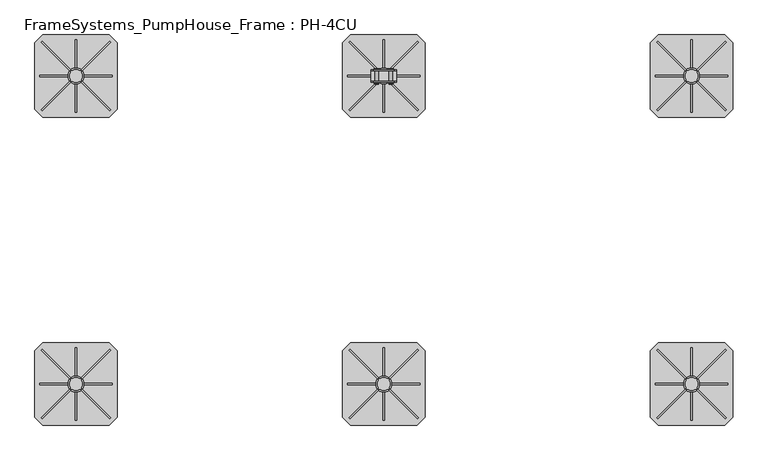
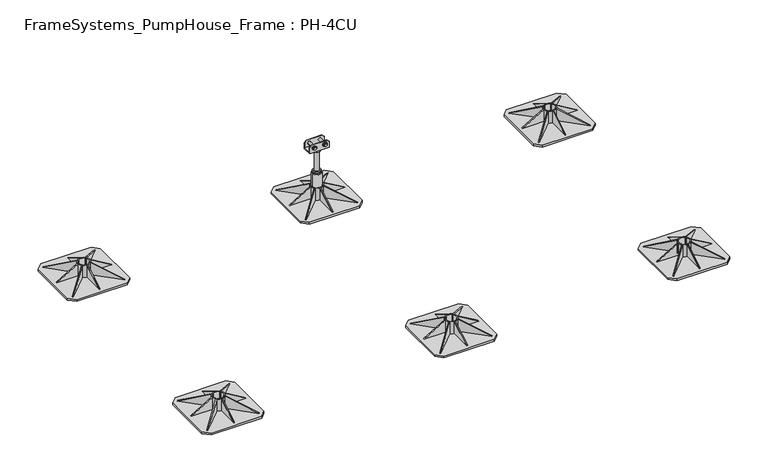
"""IFC4 building model written with IfcOpenShell, lengths in millimetres: beam geometry, FrameSystems_PumpHouse_Frame : PH-4CU."""

from ifc_helpers import new_model, si_unit, point, frame, frame_2d, origin, origin_with_axes, origin_2d, place, context, project, spatial, polyline, circle_curve, trimmed, segment, composite_curve, outline, extrude, source, transform, mapped, element, save
from ifc_brep_helpers import plane_surface, cylinder_surface, revolved_surface, advanced_brep


def framesystems_pumphouse_frame_ph_4cu_4b5e4cee(model_context):
    return source(origin(), model_context, "Body", "SolidModel", [
        extrude(outline(polyline([(0.0, 0.0), (169.9235121, 0.0), (145.0593839, -60.0564328), (0.0, 0.0)])), frame((2531.5218613, 1064.9426048, 10.0), z_axis=(0.7071067811865491, 0.7071067811865459, 0.0), x_axis=(-0.653327860317026, 0.653327860317029, 0.3825250499864671)), (0.0, 0.0, 1.0), 5.0),
        extrude(outline(polyline([(0.0, 0.0), (-145.0593839, -60.0564328), (-169.9235121, 0.0), (0.0, 0.0)])), frame((2268.4781387, 1064.9426048, 10.0), z_axis=(-0.7071067811865449, 0.7071067811865502, 0.0), x_axis=(-0.65332786031703, -0.653327860317025, -0.38252504998646697)), (0.0, 0.0, 1.0), 5.0),
        extrude(outline(polyline([(0.0, 0.0), (169.9235121, 0.0), (145.0593839, -60.0564328), (0.0, 0.0)])), frame((2535.0573952, 1331.5218613, 10.0), z_axis=(-0.707106781186539, 0.7071067811865561, 0.0), x_axis=(-0.6533278603170355, -0.6533278603170196, 0.3825250499864671)), (0.0, 0.0, 1.0), 5.0),
        extrude(outline(polyline([(10.0, 2258.5), (10.0, 2368.5), (75.0, 2368.5), (10.0, 2258.5)])), frame((0.0, 1197.5, 0.0), z_axis=(0.0, 1.0, 0.0), x_axis=(0.0, 0.0, 1.0)), (0.0, 0.0, 1.0), 5.0),
        extrude(outline(polyline([(1341.5, 10.0), (1231.5, 10.0), (1231.5, 75.0), (1341.5, 10.0)])), frame((2397.5, 0.0, 0.0), z_axis=(1.0, 0.0, 0.0), x_axis=(0.0, 1.0, 0.0)), (0.0, 0.0, 1.0), 5.0),
        extrude(outline(polyline([(1058.5, 10.0), (1168.5, 75.0), (1168.5, 10.0), (1058.5, 10.0)])), frame((2397.5, 0.0, 0.0), z_axis=(1.0, 0.0, 0.0), x_axis=(0.0, 1.0, 0.0)), (0.0, 0.0, 1.0), 5.0),
        extrude(outline(polyline([(0.0, 0.0), (-145.0593839, -60.0564328), (-169.9235121, 0.0), (0.0, 0.0)])), frame((2264.9426048, 1331.5218613, 10.0), z_axis=(0.7071067811865491, 0.707106781186546, 0.0), x_axis=(-0.6533278603170262, 0.653327860317029, -0.3825250499864671)), (0.0, 0.0, 1.0), 5.0),
        extrude(outline(polyline([(10.0, 2541.5), (75.0, 2431.5), (10.0, 2431.5), (10.0, 2541.5)])), frame((0.0, 1197.5, 0.0), z_axis=(0.0, 1.0, 0.0), x_axis=(0.0, 0.0, 1.0)), (0.0, 0.0, 1.0), 5.0),
        extrude(outline(composite_curve([segment(trimmed(circle_curve(frame_2d((2400.0, 1200.0)), 31.5), [point((2368.5, 1200.0))], [point((2431.5, 1200.0))], False, "CARTESIAN"), True, "CONTINUOUS"), segment(trimmed(circle_curve(frame_2d((2400.0, 1200.0)), 31.5), [point((2431.5, 1200.0))], [point((2368.5, 1200.0))], False, "CARTESIAN"), True, "CONTINUOUS")], self_intersect=False), holes=[composite_curve([segment(polyline([(2380.0, 1185.0), (2380.0, 1180.0), (2385.0, 1180.0)]), True, "CONTINUOUS"), segment(trimmed(circle_curve(frame_2d((2400.0, 1200.0)), 25.0), [point((2385.0, 1180.0))], [point((2415.0, 1180.0))], True, "CARTESIAN"), True, "CONTINUOUS"), segment(polyline([(2415.0, 1180.0), (2420.0, 1180.0), (2420.0, 1185.0)]), True, "CONTINUOUS"), segment(trimmed(circle_curve(frame_2d((2400.0, 1200.0)), 25.0), [point((2420.0, 1185.0))], [point((2420.0, 1215.0))], True, "CARTESIAN"), True, "CONTINUOUS"), segment(polyline([(2420.0, 1215.0), (2420.0, 1220.0), (2415.0, 1220.0)]), True, "CONTINUOUS"), segment(trimmed(circle_curve(frame_2d((2400.0, 1200.0)), 25.0), [point((2415.0, 1220.0))], [point((2385.0, 1220.0))], True, "CARTESIAN"), True, "CONTINUOUS"), segment(polyline([(2385.0, 1220.0), (2380.0, 1220.0), (2380.0, 1215.0)]), True, "CONTINUOUS"), segment(trimmed(circle_curve(frame_2d((2400.0, 1200.0)), 25.0), [point((2380.0, 1215.0))], [point((2380.0, 1185.0))], True, "CARTESIAN"), True, "CONTINUOUS")], self_intersect=False)]), frame((0.0, 0.0, 10.0), z_axis=(0.0, 0.0, 1.0), x_axis=(1.0, 0.0, 0.0)), (0.0, 0.0, 1.0), 65.0),
        extrude(outline(polyline([(2530.0, 1360.0), (2560.0, 1330.0), (2560.0, 1070.0), (2530.0, 1040.0), (2270.0, 1040.0), (2240.0, 1070.0), (2240.0, 1330.0), (2270.0, 1360.0), (2530.0, 1360.0)])), origin_with_axes(), (0.0, 0.0, 1.0), 10.0),
        extrude(outline(polyline([(0.0, 0.0), (169.9235121, 0.0), (145.0593839, -60.0564328), (0.0, 0.0)])), frame((2531.5218613, -135.0573952, 10.0), z_axis=(0.7071067811865491, 0.7071067811865459, 0.0), x_axis=(-0.653327860317026, 0.653327860317029, 0.3825250499864671)), (0.0, 0.0, 1.0), 5.0),
        extrude(outline(polyline([(0.0, 0.0), (-145.0593839, -60.0564328), (-169.9235121, 0.0), (0.0, 0.0)])), frame((2268.4781387, -135.0573952, 10.0), z_axis=(-0.7071067811865449, 0.7071067811865502, 0.0), x_axis=(-0.65332786031703, -0.653327860317025, -0.38252504998646697)), (0.0, 0.0, 1.0), 5.0),
        extrude(outline(polyline([(0.0, 0.0), (169.9235121, 0.0), (145.0593839, -60.0564328), (0.0, 0.0)])), frame((2535.0573952, 131.5218613, 10.0), z_axis=(-0.707106781186539, 0.7071067811865561, 0.0), x_axis=(-0.6533278603170355, -0.6533278603170196, 0.3825250499864671)), (0.0, 0.0, 1.0), 5.0),
        extrude(outline(polyline([(10.0, 2258.5), (10.0, 2368.5), (75.0, 2368.5), (10.0, 2258.5)])), frame((0.0, -2.5, 0.0), z_axis=(0.0, 1.0, 0.0), x_axis=(0.0, 0.0, 1.0)), (0.0, 0.0, 1.0), 5.0),
        extrude(outline(polyline([(141.5, 10.0), (31.5, 10.0), (31.5, 75.0), (141.5, 10.0)])), frame((2397.5, 0.0, 0.0), z_axis=(1.0, 0.0, 0.0), x_axis=(0.0, 1.0, 0.0)), (0.0, 0.0, 1.0), 5.0),
        extrude(outline(polyline([(-141.5, 10.0), (-31.5, 75.0), (-31.5, 10.0), (-141.5, 10.0)])), frame((2397.5, 0.0, 0.0), z_axis=(1.0, 0.0, 0.0), x_axis=(0.0, 1.0, 0.0)), (0.0, 0.0, 1.0), 5.0),
        extrude(outline(polyline([(0.0, 0.0), (-145.0593839, -60.0564328), (-169.9235121, 0.0), (0.0, 0.0)])), frame((2264.9426048, 131.5218613, 10.0), z_axis=(0.7071067811865491, 0.707106781186546, 0.0), x_axis=(-0.6533278603170262, 0.653327860317029, -0.3825250499864671)), (0.0, 0.0, 1.0), 5.0),
        extrude(outline(polyline([(10.0, 2541.5), (75.0, 2431.5), (10.0, 2431.5), (10.0, 2541.5)])), frame((0.0, -2.5, 0.0), z_axis=(0.0, 1.0, 0.0), x_axis=(0.0, 0.0, 1.0)), (0.0, 0.0, 1.0), 5.0),
        extrude(outline(composite_curve([segment(trimmed(circle_curve(frame_2d((2400.0, 0.0)), 31.5), [point((2368.5, 0.0))], [point((2431.5, 0.0))], False, "CARTESIAN"), True, "CONTINUOUS"), segment(trimmed(circle_curve(frame_2d((2400.0, 0.0)), 31.5), [point((2431.5, 0.0))], [point((2368.5, 0.0))], False, "CARTESIAN"), True, "CONTINUOUS")], self_intersect=False), holes=[composite_curve([segment(polyline([(2380.0, -15.0), (2380.0, -20.0), (2385.0, -20.0)]), True, "CONTINUOUS"), segment(trimmed(circle_curve(frame_2d((2400.0, 0.0)), 25.0), [point((2385.0, -20.0))], [point((2415.0, -20.0))], True, "CARTESIAN"), True, "CONTINUOUS"), segment(polyline([(2415.0, -20.0), (2420.0, -20.0), (2420.0, -15.0)]), True, "CONTINUOUS"), segment(trimmed(circle_curve(frame_2d((2400.0, 0.0)), 25.0), [point((2420.0, -15.0))], [point((2420.0, 15.0))], True, "CARTESIAN"), True, "CONTINUOUS"), segment(polyline([(2420.0, 15.0), (2420.0, 20.0), (2415.0, 20.0)]), True, "CONTINUOUS"), segment(trimmed(circle_curve(frame_2d((2400.0, 0.0)), 25.0), [point((2415.0, 20.0))], [point((2385.0, 20.0))], True, "CARTESIAN"), True, "CONTINUOUS"), segment(polyline([(2385.0, 20.0), (2380.0, 20.0), (2380.0, 15.0)]), True, "CONTINUOUS"), segment(trimmed(circle_curve(frame_2d((2400.0, 0.0)), 25.0), [point((2380.0, 15.0))], [point((2380.0, -15.0))], True, "CARTESIAN"), True, "CONTINUOUS")], self_intersect=False)]), frame((0.0, 0.0, 10.0), z_axis=(0.0, 0.0, 1.0), x_axis=(1.0, 0.0, 0.0)), (0.0, 0.0, 1.0), 65.0),
        extrude(outline(polyline([(2530.0, 160.0), (2560.0, 130.0), (2560.0, -130.0), (2530.0, -160.0), (2270.0, -160.0), (2240.0, -130.0), (2240.0, 130.0), (2270.0, 160.0), (2530.0, 160.0)])), origin_with_axes(), (0.0, 0.0, 1.0), 10.0),
        extrude(outline(polyline([(0.0, 0.0), (169.9235121, 0.0), (145.0593839, -60.0564328), (0.0, 0.0)])), frame((1331.5218613, 1064.9426048, 10.0), z_axis=(0.7071067811865491, 0.7071067811865459, 0.0), x_axis=(-0.653327860317026, 0.653327860317029, 0.3825250499864671)), (0.0, 0.0, 1.0), 5.0),
        extrude(outline(polyline([(0.0, 0.0), (-145.0593839, -60.0564328), (-169.9235121, 0.0), (0.0, 0.0)])), frame((1068.4781387, 1064.9426048, 10.0), z_axis=(-0.7071067811865449, 0.7071067811865502, 0.0), x_axis=(-0.65332786031703, -0.653327860317025, -0.38252504998646697)), (0.0, 0.0, 1.0), 5.0),
        extrude(outline(polyline([(0.0, 0.0), (169.9235121, 0.0), (145.0593839, -60.0564328), (0.0, 0.0)])), frame((1335.0573952, 1331.5218613, 10.0), z_axis=(-0.707106781186539, 0.7071067811865561, 0.0), x_axis=(-0.6533278603170355, -0.6533278603170196, 0.3825250499864671)), (0.0, 0.0, 1.0), 5.0),
        extrude(outline(polyline([(10.0, 1058.5), (10.0, 1168.5), (75.0, 1168.5), (10.0, 1058.5)])), frame((0.0, 1197.5, 0.0), z_axis=(0.0, 1.0, 0.0), x_axis=(0.0, 0.0, 1.0)), (0.0, 0.0, 1.0), 5.0),
        extrude(outline(polyline([(1341.5, 10.0), (1231.5, 10.0), (1231.5, 75.0), (1341.5, 10.0)])), frame((1197.5, 0.0, 0.0), z_axis=(1.0, 0.0, 0.0), x_axis=(0.0, 1.0, 0.0)), (0.0, 0.0, 1.0), 5.0),
        extrude(outline(polyline([(1058.5, 10.0), (1168.5, 75.0), (1168.5, 10.0), (1058.5, 10.0)])), frame((1197.5, 0.0, 0.0), z_axis=(1.0, 0.0, 0.0), x_axis=(0.0, 1.0, 0.0)), (0.0, 0.0, 1.0), 5.0),
        extrude(outline(polyline([(0.0, 0.0), (-145.0593839, -60.0564328), (-169.9235121, 0.0), (0.0, 0.0)])), frame((1064.9426048, 1331.5218613, 10.0), z_axis=(0.7071067811865491, 0.707106781186546, 0.0), x_axis=(-0.6533278603170262, 0.653327860317029, -0.3825250499864671)), (0.0, 0.0, 1.0), 5.0),
        extrude(outline(polyline([(10.0, 1341.5), (75.0, 1231.5), (10.0, 1231.5), (10.0, 1341.5)])), frame((0.0, 1197.5, 0.0), z_axis=(0.0, 1.0, 0.0), x_axis=(0.0, 0.0, 1.0)), (0.0, 0.0, 1.0), 5.0),
        extrude(outline(composite_curve([segment(trimmed(circle_curve(frame_2d((1200.0, 1200.0)), 31.5), [point((1168.5, 1200.0))], [point((1231.5, 1200.0))], False, "CARTESIAN"), True, "CONTINUOUS"), segment(trimmed(circle_curve(frame_2d((1200.0, 1200.0)), 31.5), [point((1231.5, 1200.0))], [point((1168.5, 1200.0))], False, "CARTESIAN"), True, "CONTINUOUS")], self_intersect=False), holes=[composite_curve([segment(polyline([(1180.0, 1185.0), (1180.0, 1180.0), (1185.0, 1180.0)]), True, "CONTINUOUS"), segment(trimmed(circle_curve(frame_2d((1200.0, 1200.0)), 25.0), [point((1185.0, 1180.0))], [point((1215.0, 1180.0))], True, "CARTESIAN"), True, "CONTINUOUS"), segment(polyline([(1215.0, 1180.0), (1220.0, 1180.0), (1220.0, 1185.0)]), True, "CONTINUOUS"), segment(trimmed(circle_curve(frame_2d((1200.0, 1200.0)), 25.0), [point((1220.0, 1185.0))], [point((1220.0, 1215.0))], True, "CARTESIAN"), True, "CONTINUOUS"), segment(polyline([(1220.0, 1215.0), (1220.0, 1220.0), (1215.0, 1220.0)]), True, "CONTINUOUS"), segment(trimmed(circle_curve(frame_2d((1200.0, 1200.0)), 25.0), [point((1215.0, 1220.0))], [point((1185.0, 1220.0))], True, "CARTESIAN"), True, "CONTINUOUS"), segment(polyline([(1185.0, 1220.0), (1180.0, 1220.0), (1180.0, 1215.0)]), True, "CONTINUOUS"), segment(trimmed(circle_curve(frame_2d((1200.0, 1200.0)), 25.0), [point((1180.0, 1215.0))], [point((1180.0, 1185.0))], True, "CARTESIAN"), True, "CONTINUOUS")], self_intersect=False)]), frame((0.0, 0.0, 10.0), z_axis=(0.0, 0.0, 1.0), x_axis=(1.0, 0.0, 0.0)), (0.0, 0.0, 1.0), 65.0),
        extrude(outline(polyline([(1330.0, 1360.0), (1360.0, 1330.0), (1360.0, 1070.0), (1330.0, 1040.0), (1070.0, 1040.0), (1040.0, 1070.0), (1040.0, 1330.0), (1070.0, 1360.0), (1330.0, 1360.0)])), origin_with_axes(), (0.0, 0.0, 1.0), 10.0),
        extrude(outline(polyline([(0.0, 0.0), (169.9235121, 0.0), (145.0593839, -60.0564328), (0.0, 0.0)])), frame((1331.5218613, -135.0573952, 10.0), z_axis=(0.7071067811865491, 0.7071067811865459, 0.0), x_axis=(-0.653327860317026, 0.653327860317029, 0.3825250499864671)), (0.0, 0.0, 1.0), 5.0),
        extrude(outline(polyline([(0.0, 0.0), (-145.0593839, -60.0564328), (-169.9235121, 0.0), (0.0, 0.0)])), frame((1068.4781387, -135.0573952, 10.0), z_axis=(-0.7071067811865449, 0.7071067811865502, 0.0), x_axis=(-0.65332786031703, -0.653327860317025, -0.38252504998646697)), (0.0, 0.0, 1.0), 5.0),
        extrude(outline(polyline([(0.0, 0.0), (169.9235121, 0.0), (145.0593839, -60.0564328), (0.0, 0.0)])), frame((1335.0573952, 131.5218613, 10.0), z_axis=(-0.707106781186539, 0.7071067811865561, 0.0), x_axis=(-0.6533278603170355, -0.6533278603170196, 0.3825250499864671)), (0.0, 0.0, 1.0), 5.0),
        extrude(outline(polyline([(10.0, 1058.5), (10.0, 1168.5), (75.0, 1168.5), (10.0, 1058.5)])), frame((0.0, -2.5, 0.0), z_axis=(0.0, 1.0, 0.0), x_axis=(0.0, 0.0, 1.0)), (0.0, 0.0, 1.0), 5.0),
        extrude(outline(polyline([(141.5, 10.0), (31.5, 10.0), (31.5, 75.0), (141.5, 10.0)])), frame((1197.5, 0.0, 0.0), z_axis=(1.0, 0.0, 0.0), x_axis=(0.0, 1.0, 0.0)), (0.0, 0.0, 1.0), 5.0),
        extrude(outline(polyline([(-141.5, 10.0), (-31.5, 75.0), (-31.5, 10.0), (-141.5, 10.0)])), frame((1197.5, 0.0, 0.0), z_axis=(1.0, 0.0, 0.0), x_axis=(0.0, 1.0, 0.0)), (0.0, 0.0, 1.0), 5.0),
        extrude(outline(polyline([(0.0, 0.0), (-145.0593839, -60.0564328), (-169.9235121, 0.0), (0.0, 0.0)])), frame((1064.9426048, 131.5218613, 10.0), z_axis=(0.7071067811865491, 0.707106781186546, 0.0), x_axis=(-0.6533278603170262, 0.653327860317029, -0.3825250499864671)), (0.0, 0.0, 1.0), 5.0),
        extrude(outline(polyline([(10.0, 1341.5), (75.0, 1231.5), (10.0, 1231.5), (10.0, 1341.5)])), frame((0.0, -2.5, 0.0), z_axis=(0.0, 1.0, 0.0), x_axis=(0.0, 0.0, 1.0)), (0.0, 0.0, 1.0), 5.0),
        extrude(outline(composite_curve([segment(trimmed(circle_curve(frame_2d((1200.0, 0.0)), 31.5), [point((1168.5, 0.0))], [point((1231.5, 0.0))], False, "CARTESIAN"), True, "CONTINUOUS"), segment(trimmed(circle_curve(frame_2d((1200.0, 0.0)), 31.5), [point((1231.5, 0.0))], [point((1168.5, 0.0))], False, "CARTESIAN"), True, "CONTINUOUS")], self_intersect=False), holes=[composite_curve([segment(polyline([(1180.0, -15.0), (1180.0, -20.0), (1185.0, -20.0)]), True, "CONTINUOUS"), segment(trimmed(circle_curve(frame_2d((1200.0, 0.0)), 25.0), [point((1185.0, -20.0))], [point((1215.0, -20.0))], True, "CARTESIAN"), True, "CONTINUOUS"), segment(polyline([(1215.0, -20.0), (1220.0, -20.0), (1220.0, -15.0)]), True, "CONTINUOUS"), segment(trimmed(circle_curve(frame_2d((1200.0, 0.0)), 25.0), [point((1220.0, -15.0))], [point((1220.0, 15.0))], True, "CARTESIAN"), True, "CONTINUOUS"), segment(polyline([(1220.0, 15.0), (1220.0, 20.0), (1215.0, 20.0)]), True, "CONTINUOUS"), segment(trimmed(circle_curve(frame_2d((1200.0, 0.0)), 25.0), [point((1215.0, 20.0))], [point((1185.0, 20.0))], True, "CARTESIAN"), True, "CONTINUOUS"), segment(polyline([(1185.0, 20.0), (1180.0, 20.0), (1180.0, 15.0)]), True, "CONTINUOUS"), segment(trimmed(circle_curve(frame_2d((1200.0, 0.0)), 25.0), [point((1180.0, 15.0))], [point((1180.0, -15.0))], True, "CARTESIAN"), True, "CONTINUOUS")], self_intersect=False)]), frame((0.0, 0.0, 10.0), z_axis=(0.0, 0.0, 1.0), x_axis=(1.0, 0.0, 0.0)), (0.0, 0.0, 1.0), 65.0),
        extrude(outline(polyline([(1330.0, 160.0), (1360.0, 130.0), (1360.0, -130.0), (1330.0, -160.0), (1070.0, -160.0), (1040.0, -130.0), (1040.0, 130.0), (1070.0, 160.0), (1330.0, 160.0)])), origin_with_axes(), (0.0, 0.0, 1.0), 10.0),
        extrude(outline(polyline([(0.0, 0.0), (169.9235121, 0.0), (145.0593839, -60.0564328), (0.0, 0.0)])), frame((131.5218613, 1064.9426048, 10.0), z_axis=(0.7071067811865491, 0.7071067811865459, 0.0), x_axis=(-0.653327860317026, 0.653327860317029, 0.3825250499864671)), (0.0, 0.0, 1.0), 5.0),
        extrude(outline(polyline([(0.0, 0.0), (-145.0593839, -60.0564328), (-169.9235121, 0.0), (0.0, 0.0)])), frame((-131.5218613, 1064.9426048, 10.0), z_axis=(-0.7071067811865449, 0.7071067811865502, 0.0), x_axis=(-0.65332786031703, -0.653327860317025, -0.38252504998646697)), (0.0, 0.0, 1.0), 5.0),
        extrude(outline(polyline([(0.0, 0.0), (169.9235121, 0.0), (145.0593839, -60.0564328), (0.0, 0.0)])), frame((135.0573952, 1331.5218613, 10.0), z_axis=(-0.707106781186539, 0.7071067811865561, 0.0), x_axis=(-0.6533278603170355, -0.6533278603170196, 0.3825250499864671)), (0.0, 0.0, 1.0), 5.0),
        extrude(outline(polyline([(10.0, -141.5), (10.0, -31.5), (75.0, -31.5), (10.0, -141.5)])), frame((0.0, 1197.5, 0.0), z_axis=(0.0, 1.0, 0.0), x_axis=(0.0, 0.0, 1.0)), (0.0, 0.0, 1.0), 5.0),
        extrude(outline(polyline([(1341.5, 10.0), (1231.5, 10.0), (1231.5, 75.0), (1341.5, 10.0)])), frame((-2.5, 0.0, 0.0), z_axis=(1.0, 0.0, 0.0), x_axis=(0.0, 1.0, 0.0)), (0.0, 0.0, 1.0), 5.0),
        extrude(outline(polyline([(1058.5, 10.0), (1168.5, 75.0), (1168.5, 10.0), (1058.5, 10.0)])), frame((-2.5, 0.0, 0.0), z_axis=(1.0, 0.0, 0.0), x_axis=(0.0, 1.0, 0.0)), (0.0, 0.0, 1.0), 5.0),
        extrude(outline(polyline([(0.0, 0.0), (-145.0593839, -60.0564328), (-169.9235121, 0.0), (0.0, 0.0)])), frame((-135.0573952, 1331.5218613, 10.0), z_axis=(0.7071067811865491, 0.707106781186546, 0.0), x_axis=(-0.6533278603170262, 0.653327860317029, -0.3825250499864671)), (0.0, 0.0, 1.0), 5.0),
        extrude(outline(polyline([(10.0, 141.5), (75.0, 31.5), (10.0, 31.5), (10.0, 141.5)])), frame((0.0, 1197.5, 0.0), z_axis=(0.0, 1.0, 0.0), x_axis=(0.0, 0.0, 1.0)), (0.0, 0.0, 1.0), 5.0),
        extrude(outline(composite_curve([segment(trimmed(circle_curve(frame_2d((0.0, 1200.0)), 31.5), [point((-31.5, 1200.0))], [point((31.5, 1200.0))], False, "CARTESIAN"), True, "CONTINUOUS"), segment(trimmed(circle_curve(frame_2d((0.0, 1200.0)), 31.5), [point((31.5, 1200.0))], [point((-31.5, 1200.0))], False, "CARTESIAN"), True, "CONTINUOUS")], self_intersect=False), holes=[composite_curve([segment(polyline([(-20.0, 1185.0), (-20.0, 1180.0), (-15.0, 1180.0)]), True, "CONTINUOUS"), segment(trimmed(circle_curve(frame_2d((0.0, 1200.0)), 25.0), [point((-15.0, 1180.0))], [point((15.0, 1180.0))], True, "CARTESIAN"), True, "CONTINUOUS"), segment(polyline([(15.0, 1180.0), (20.0, 1180.0), (20.0, 1185.0)]), True, "CONTINUOUS"), segment(trimmed(circle_curve(frame_2d((0.0, 1200.0)), 25.0), [point((20.0, 1185.0))], [point((20.0, 1215.0))], True, "CARTESIAN"), True, "CONTINUOUS"), segment(polyline([(20.0, 1215.0), (20.0, 1220.0), (15.0, 1220.0)]), True, "CONTINUOUS"), segment(trimmed(circle_curve(frame_2d((0.0, 1200.0)), 25.0), [point((15.0, 1220.0))], [point((-15.0, 1220.0))], True, "CARTESIAN"), True, "CONTINUOUS"), segment(polyline([(-15.0, 1220.0), (-20.0, 1220.0), (-20.0, 1215.0)]), True, "CONTINUOUS"), segment(trimmed(circle_curve(frame_2d((0.0, 1200.0)), 25.0), [point((-20.0, 1215.0))], [point((-20.0, 1185.0))], True, "CARTESIAN"), True, "CONTINUOUS")], self_intersect=False)]), frame((0.0, 0.0, 10.0), z_axis=(0.0, 0.0, 1.0), x_axis=(1.0, 0.0, 0.0)), (0.0, 0.0, 1.0), 65.0),
        extrude(outline(polyline([(130.0, 1360.0), (160.0, 1330.0), (160.0, 1070.0), (130.0, 1040.0), (-130.0, 1040.0), (-160.0, 1070.0), (-160.0, 1330.0), (-130.0, 1360.0), (130.0, 1360.0)])), origin_with_axes(), (0.0, 0.0, 1.0), 10.0),
        extrude(outline(polyline([(0.0, 0.0), (169.9235121, 0.0), (145.0593839, -60.0564328), (0.0, 0.0)])), frame((131.5218613, -135.0573952, 10.0), z_axis=(0.7071067811865491, 0.7071067811865459, 0.0), x_axis=(-0.653327860317026, 0.653327860317029, 0.3825250499864671)), (0.0, 0.0, 1.0), 5.0),
        extrude(outline(polyline([(0.0, 0.0), (-145.0593839, -60.0564328), (-169.9235121, 0.0), (0.0, 0.0)])), frame((-131.5218613, -135.0573952, 10.0), z_axis=(-0.7071067811865449, 0.7071067811865502, 0.0), x_axis=(-0.65332786031703, -0.653327860317025, -0.38252504998646697)), (0.0, 0.0, 1.0), 5.0),
        extrude(outline(polyline([(0.0, 0.0), (169.9235121, 0.0), (145.0593839, -60.0564328), (0.0, 0.0)])), frame((135.0573952, 131.5218613, 10.0), z_axis=(-0.707106781186539, 0.7071067811865561, 0.0), x_axis=(-0.6533278603170355, -0.6533278603170196, 0.3825250499864671)), (0.0, 0.0, 1.0), 5.0),
        extrude(outline(polyline([(10.0, -141.5), (10.0, -31.5), (75.0, -31.5), (10.0, -141.5)])), frame((0.0, -2.5, 0.0), z_axis=(0.0, 1.0, 0.0), x_axis=(0.0, 0.0, 1.0)), (0.0, 0.0, 1.0), 5.0),
        extrude(outline(polyline([(141.5, 10.0), (31.5, 10.0), (31.5, 75.0), (141.5, 10.0)])), frame((-2.5, 0.0, 0.0), z_axis=(1.0, 0.0, 0.0), x_axis=(0.0, 1.0, 0.0)), (0.0, 0.0, 1.0), 5.0),
        extrude(outline(polyline([(-141.5, 10.0), (-31.5, 75.0), (-31.5, 10.0), (-141.5, 10.0)])), frame((-2.5, 0.0, 0.0), z_axis=(1.0, 0.0, 0.0), x_axis=(0.0, 1.0, 0.0)), (0.0, 0.0, 1.0), 5.0),
        extrude(outline(polyline([(0.0, 0.0), (-145.0593839, -60.0564328), (-169.9235121, 0.0), (0.0, 0.0)])), frame((-135.0573952, 131.5218613, 10.0), z_axis=(0.7071067811865491, 0.707106781186546, 0.0), x_axis=(-0.6533278603170262, 0.653327860317029, -0.3825250499864671)), (0.0, 0.0, 1.0), 5.0),
        extrude(outline(polyline([(10.0, 141.5), (75.0, 31.5), (10.0, 31.5), (10.0, 141.5)])), frame((0.0, -2.5, 0.0), z_axis=(0.0, 1.0, 0.0), x_axis=(0.0, 0.0, 1.0)), (0.0, 0.0, 1.0), 5.0),
        extrude(outline(composite_curve([segment(trimmed(circle_curve(origin_2d(), 31.5), [point((-31.5, 0.0))], [point((31.5, 0.0))], False, "CARTESIAN"), True, "CONTINUOUS"), segment(trimmed(circle_curve(origin_2d(), 31.5), [point((31.5, 0.0))], [point((-31.5, 0.0))], False, "CARTESIAN"), True, "CONTINUOUS")], self_intersect=False), holes=[composite_curve([segment(polyline([(-20.0, -15.0), (-20.0, -20.0), (-15.0, -20.0)]), True, "CONTINUOUS"), segment(trimmed(circle_curve(origin_2d(), 25.0), [point((-15.0, -20.0))], [point((15.0, -20.0))], True, "CARTESIAN"), True, "CONTINUOUS"), segment(polyline([(15.0, -20.0), (20.0, -20.0), (20.0, -15.0)]), True, "CONTINUOUS"), segment(trimmed(circle_curve(origin_2d(), 25.0), [point((20.0, -15.0))], [point((20.0, 15.0))], True, "CARTESIAN"), True, "CONTINUOUS"), segment(polyline([(20.0, 15.0), (20.0, 20.0), (15.0, 20.0)]), True, "CONTINUOUS"), segment(trimmed(circle_curve(origin_2d(), 25.0), [point((15.0, 20.0))], [point((-15.0, 20.0))], True, "CARTESIAN"), True, "CONTINUOUS"), segment(polyline([(-15.0, 20.0), (-20.0, 20.0), (-20.0, 15.0)]), True, "CONTINUOUS"), segment(trimmed(circle_curve(origin_2d(), 25.0), [point((-20.0, 15.0))], [point((-20.0, -15.0))], True, "CARTESIAN"), True, "CONTINUOUS")], self_intersect=False)]), frame((0.0, 0.0, 10.0), z_axis=(0.0, 0.0, 1.0), x_axis=(1.0, 0.0, 0.0)), (0.0, 0.0, 1.0), 65.0),
        extrude(outline(polyline([(130.0, 160.0), (160.0, 130.0), (160.0, -130.0), (130.0, -160.0), (-130.0, -160.0), (-160.0, -130.0), (-160.0, 130.0), (-130.0, 160.0), (130.0, 160.0)])), origin_with_axes(), (0.0, 0.0, 1.0), 10.0),
        advanced_brep(
        [(1240.0, 1179.25, 316.0), (1250.0, 1179.25, 306.0), (1250.0, 1179.25, 280.0), (1150.0, 1179.25, 280.0), (1150.0, 1179.25, 306.0), (1160.0, 1179.25, 316.0), (1234.5, 1179.25, 299.0), (1220.5, 1179.25, 299.0), (1179.5, 1179.25, 299.0), (1165.5, 1179.25, 299.0), (1240.0, 1176.25, 316.0), (1160.0, 1176.25, 316.0), (1150.0, 1176.25, 306.0), (1150.0, 1176.25, 273.0), (1250.0, 1176.25, 273.0), (1250.0, 1176.25, 306.0), (1217.9194511, 1176.25, 293.4686675), (1217.9194511, 1176.25, 304.5313325), (1227.5, 1176.25, 310.062665), (1237.0805489, 1176.25, 304.5313325), (1237.0805489, 1176.25, 293.4686675), (1227.5, 1176.25, 287.937335), (1162.9194511, 1176.25, 293.4686675), (1162.9194511, 1176.25, 304.5313325), (1172.5, 1176.25, 310.062665), (1182.0805489, 1176.25, 304.5313325), (1182.0805489, 1176.25, 293.4686675), (1172.5, 1176.25, 287.937335), (1240.0, 1223.653247, 316.0), (1250.0, 1223.653247, 306.0), (1250.0, 1223.653247, 273.0), (1150.0, 1223.653247, 273.0), (1150.0, 1223.653247, 306.0), (1160.0, 1223.653247, 316.0), (1237.0805489, 1223.653247, 304.5313325), (1227.5, 1223.653247, 310.062665), (1217.9194511, 1223.653247, 304.5313325), (1217.9194511, 1223.653247, 293.4686675), (1227.5, 1223.653247, 287.937335), (1237.0805489, 1223.653247, 293.4686675), (1182.0805489, 1223.653247, 304.5313325), (1172.5, 1223.653247, 310.062665), (1162.9194511, 1223.653247, 304.5313325), (1162.9194511, 1223.653247, 293.4686675), (1172.5, 1223.653247, 287.937335), (1182.0805489, 1223.653247, 293.4686675), (1150.0, 1220.75, 280.0), (1150.0, 1220.75, 306.0), (1250.0, 1220.75, 280.0), (1250.0, 1220.75, 306.0), (1240.0, 1220.75, 316.0), (1160.0, 1220.75, 316.0), (1220.5, 1220.75, 299.0), (1234.5, 1220.75, 299.0), (1165.5, 1220.75, 299.0), (1179.5, 1220.75, 299.0), (1182.6794919, 1210.0, 273.0), (1182.6794919, 1190.0, 273.0), (1200.0, 1180.0, 273.0), (1217.3205081, 1190.0, 273.0), (1217.3205081, 1210.0, 273.0), (1200.0, 1220.0, 273.0), (1220.5, 1167.3051094, 299.0), (1234.5, 1167.3051094, 299.0), (1165.5, 1167.3051094, 299.0), (1179.5, 1167.3051094, 299.0), (1234.5, 1171.25, 299.0), (1220.5, 1171.25, 299.0), (1179.5, 1171.25, 299.0), (1165.5, 1171.25, 299.0), (1227.5, 1228.653247, 310.062665), (1237.0805489, 1228.653247, 304.5313325), (1237.0805489, 1228.653247, 293.4686675), (1227.5, 1228.653247, 287.937335), (1217.9194511, 1228.653247, 293.4686675), (1217.9194511, 1228.653247, 304.5313325), (1172.5, 1228.653247, 310.062665), (1182.0805489, 1228.653247, 304.5313325), (1182.0805489, 1228.653247, 293.4686675), (1172.5, 1228.653247, 287.937335), (1162.9194511, 1228.653247, 293.4686675), (1162.9194511, 1228.653247, 304.5313325), (1188.0, 1200.0, 263.0), (1188.0, 1200.0, 157.0), (1212.0, 1200.0, 157.0), (1212.0, 1200.0, 263.0), (1182.6794919, 1210.0, 263.0), (1200.0, 1220.0, 263.0), (1217.3205081, 1210.0, 263.0), (1217.3205081, 1190.0, 263.0), (1200.0, 1180.0, 263.0), (1182.6794919, 1190.0, 263.0), (1182.6794919, 1210.0, 157.0), (1182.6794919, 1190.0, 157.0), (1200.0, 1180.0, 157.0), (1217.3205081, 1190.0, 157.0), (1217.3205081, 1210.0, 157.0), (1200.0, 1220.0, 157.0), (1182.6794919, 1210.0, 147.0), (1182.6794919, 1200.0, 147.0), (1182.6794919, 1190.0, 147.0), (1200.0, 1180.0, 147.0), (1217.3205081, 1190.0, 147.0), (1217.3205081, 1200.0, 147.0), (1217.3205081, 1210.0, 147.0), (1200.0, 1220.0, 147.0), (1180.0, 1200.0, 147.0), (1220.0, 1200.0, 147.0), (1224.0, 1200.0, 143.0), (1176.0, 1200.0, 143.0), (1224.0, 1200.0, 17.0), (1176.0, 1200.0, 17.0), (1200.0, 1200.0, 17.0), (1217.9194511, 1171.25, 304.5313325), (1217.9194511, 1171.25, 293.4686675), (1227.5, 1171.25, 287.937335), (1237.0805489, 1171.25, 293.4686675), (1237.0805489, 1171.25, 304.5313325), (1227.5, 1171.25, 310.062665), (1162.9194511, 1171.25, 304.5313325), (1162.9194511, 1171.25, 293.4686675), (1172.5, 1171.25, 287.937335), (1182.0805489, 1171.25, 293.4686675), (1182.0805489, 1171.25, 304.5313325), (1172.5, 1171.25, 310.062665)],
        [
            (0, 1),
            (1, 2),
            (2, 3),
            (3, 4),
            (4, 5),
            (5, 0),
            (6, 7, circle_curve(frame((1227.5, 1179.25, 299.0), z_axis=(0.0, -1.0, 0.0), x_axis=(-1.0, 0.0, 0.0)), 7.0)),
            (7, 6, circle_curve(frame((1227.5, 1179.25, 299.0), z_axis=(0.0, -1.0, 0.0), x_axis=(-1.0, 0.0, 0.0)), 7.0)),
            (8, 9, circle_curve(frame((1172.5, 1179.25, 299.0), z_axis=(0.0, -1.0, 0.0), x_axis=(-1.0, 0.0, 0.0)), 7.0)),
            (9, 8, circle_curve(frame((1172.5, 1179.25, 299.0), z_axis=(0.0, -1.0, 0.0), x_axis=(-1.0, 0.0, 0.0)), 7.0)),
            (10, 11),
            (11, 12),
            (12, 13),
            (13, 14),
            (14, 15),
            (15, 10),
            (16, 17),
            (17, 18),
            (18, 19),
            (19, 20),
            (20, 21),
            (21, 16),
            (22, 23),
            (23, 24),
            (24, 25),
            (25, 26),
            (26, 27),
            (27, 22),
            (5, 11),
            (10, 0),
            (4, 12),
            (15, 1),
            (28, 29),
            (29, 30),
            (30, 31),
            (31, 32),
            (32, 33),
            (33, 28),
            (34, 35),
            (35, 36),
            (36, 37),
            (37, 38),
            (38, 39),
            (39, 34),
            (40, 41),
            (41, 42),
            (42, 43),
            (43, 44),
            (44, 45),
            (45, 40),
            (46, 47),
            (47, 32),
            (31, 13),
            (3, 46),
            (46, 48),
            (48, 49),
            (49, 50),
            (50, 51),
            (51, 47),
            (52, 53, circle_curve(frame((1227.5, 1220.75, 299.0), z_axis=(0.0, 1.0, 0.0), x_axis=(-1.0, 0.0, 0.0)), 7.0)),
            (53, 52, circle_curve(frame((1227.5, 1220.75, 299.0), z_axis=(0.0, 1.0, 0.0), x_axis=(-1.0, 0.0, 0.0)), 7.0)),
            (54, 55, circle_curve(frame((1172.5, 1220.75, 299.0), z_axis=(0.0, 1.0, 0.0), x_axis=(-1.0, 0.0, 0.0)), 7.0)),
            (55, 54, circle_curve(frame((1172.5, 1220.75, 299.0), z_axis=(0.0, 1.0, 0.0), x_axis=(-1.0, 0.0, 0.0)), 7.0)),
            (48, 2),
            (14, 30),
            (29, 49),
            (50, 28),
            (33, 51),
            (56, 57),
            (57, 58),
            (58, 59),
            (59, 60),
            (60, 61),
            (61, 56),
            (62, 63, circle_curve(frame((1227.5, 1167.3051094, 299.0), z_axis=(0.0, -1.0, 0.0), x_axis=(-1.0, 0.0, 0.0)), 7.0)),
            (63, 62, circle_curve(frame((1227.5, 1167.3051094, 299.0), z_axis=(0.0, -1.0, 0.0), x_axis=(-1.0, 0.0, 0.0)), 7.0)),
            (64, 65, circle_curve(frame((1172.5, 1167.3051094, 299.0), z_axis=(0.0, -1.0, 0.0), x_axis=(-1.0, 0.0, 0.0)), 7.0)),
            (65, 64, circle_curve(frame((1172.5, 1167.3051094, 299.0), z_axis=(0.0, -1.0, 0.0), x_axis=(-1.0, 0.0, 0.0)), 7.0)),
            (63, 66),
            (66, 67, circle_curve(frame((1227.5, 1171.25, 299.0), z_axis=(0.0, -1.0, 0.0), x_axis=(-1.0, 0.0, 0.0)), 7.0)),
            (67, 62),
            (6, 53),
            (52, 7),
            (67, 66, circle_curve(frame((1227.5, 1171.25, 299.0), z_axis=(0.0, -1.0, 0.0), x_axis=(-1.0, 0.0, 0.0)), 7.0)),
            (65, 68),
            (68, 69, circle_curve(frame((1172.5, 1171.25, 299.0), z_axis=(0.0, -1.0, 0.0), x_axis=(-1.0, 0.0, 0.0)), 7.0)),
            (69, 64),
            (8, 55),
            (54, 9),
            (69, 68, circle_curve(frame((1172.5, 1171.25, 299.0), z_axis=(0.0, -1.0, 0.0), x_axis=(-1.0, 0.0, 0.0)), 7.0)),
            (70, 71),
            (71, 72),
            (72, 73),
            (73, 74),
            (74, 75),
            (75, 70),
            (76, 77),
            (77, 78),
            (78, 79),
            (79, 80),
            (80, 81),
            (81, 76),
            (70, 35),
            (34, 71),
            (39, 72),
            (38, 73),
            (37, 74),
            (36, 75),
            (76, 41),
            (40, 77),
            (45, 78),
            (44, 79),
            (43, 80),
            (42, 81),
            (82, 83),
            (83, 84, circle_curve(frame((1200.0, 1200.0, 157.0), z_axis=(0.0, 0.0, 1.0), x_axis=(1.0, 0.0, 0.0)), 12.0)),
            (84, 85),
            (85, 82, circle_curve(frame((1200.0, 1200.0, 263.0), z_axis=(0.0, 0.0, -1.0), x_axis=(1.0, 0.0, 0.0)), 12.0)),
            (82, 85, circle_curve(frame((1200.0, 1200.0, 263.0), z_axis=(0.0, 0.0, -1.0), x_axis=(1.0, 0.0, 0.0)), 12.0)),
            (84, 83, circle_curve(frame((1200.0, 1200.0, 157.0), z_axis=(0.0, 0.0, 1.0), x_axis=(1.0, 0.0, 0.0)), 12.0)),
            (86, 87),
            (87, 88),
            (88, 89),
            (89, 90),
            (90, 91),
            (91, 86),
            (91, 57),
            (56, 86),
            (90, 58),
            (89, 59),
            (88, 60),
            (87, 61),
            (92, 93),
            (93, 94),
            (94, 95),
            (95, 96),
            (96, 97),
            (97, 92),
            (92, 98),
            (98, 99),
            (99, 100),
            (100, 93),
            (100, 101),
            (101, 94),
            (101, 102),
            (102, 95),
            (102, 103),
            (103, 104),
            (104, 96),
            (104, 105),
            (105, 97),
            (105, 98),
            (98, 106, circle_curve(frame((1200.0, 1200.0, 147.0), z_axis=(0.0, 0.0, 1.0), x_axis=(-1.0, 0.0, 0.0)), 20.0)),
            (106, 99),
            (105, 98, circle_curve(frame((1200.0, 1200.0, 147.0), z_axis=(0.0, 0.0, 1.0), x_axis=(-1.0, 0.0, 0.0)), 20.0)),
            (104, 105, circle_curve(frame((1200.0, 1200.0, 147.0), z_axis=(0.0, 0.0, 1.0), x_axis=(-1.0, 0.0, 0.0)), 20.0)),
            (107, 104, circle_curve(frame((1200.0, 1200.0, 147.0), z_axis=(0.0, 0.0, 1.0), x_axis=(-1.0, 0.0, 0.0)), 20.0)),
            (103, 107),
            (102, 107, circle_curve(frame((1200.0, 1200.0, 147.0), z_axis=(0.0, 0.0, 1.0), x_axis=(-1.0, 0.0, 0.0)), 20.0)),
            (101, 102, circle_curve(frame((1200.0, 1200.0, 147.0), z_axis=(0.0, 0.0, 1.0), x_axis=(-1.0, 0.0, 0.0)), 20.0)),
            (100, 101, circle_curve(frame((1200.0, 1200.0, 147.0), z_axis=(0.0, 0.0, 1.0), x_axis=(-1.0, 0.0, 0.0)), 20.0)),
            (106, 100, circle_curve(frame((1200.0, 1200.0, 147.0), z_axis=(0.0, 0.0, 1.0), x_axis=(-1.0, 0.0, 0.0)), 20.0)),
            (108, 109, circle_curve(frame((1200.0, 1200.0, 143.0), z_axis=(0.0, 0.0, 1.0), x_axis=(-1.0, 0.0, 0.0)), 24.0)),
            (109, 106),
            (107, 108),
            (109, 108, circle_curve(frame((1200.0, 1200.0, 143.0), z_axis=(0.0, 0.0, 1.0), x_axis=(-1.0, 0.0, 0.0)), 24.0)),
            (108, 110),
            (110, 111, circle_curve(frame((1200.0, 1200.0, 17.0), z_axis=(0.0, 0.0, 1.0), x_axis=(-1.0, 0.0, 0.0)), 24.0)),
            (111, 109),
            (111, 110, circle_curve(frame((1200.0, 1200.0, 17.0), z_axis=(0.0, 0.0, 1.0), x_axis=(-1.0, 0.0, 0.0)), 24.0)),
            (110, 112),
            (112, 111),
            (113, 114),
            (114, 115),
            (115, 116),
            (116, 117),
            (117, 118),
            (118, 113),
            (113, 17),
            (16, 114),
            (21, 115),
            (20, 116),
            (19, 117),
            (18, 118),
            (119, 120),
            (120, 121),
            (121, 122),
            (122, 123),
            (123, 124),
            (124, 119),
            (119, 23),
            (22, 120),
            (27, 121),
            (26, 122),
            (25, 123),
            (24, 124),
        ],
        [
            plane_surface(frame((1184.0150941, 1179.25, 316.0), z_axis=(0.0, 1.0, 0.0), x_axis=(1.0, 0.0, 0.0))),
            plane_surface(frame((1184.0150941, 1176.25, 316.0), z_axis=(0.0, -1.0, 0.0), x_axis=(-1.0, 0.0, 0.0))),
            plane_surface(frame((1240.0, 1176.25, 316.0), z_axis=(0.0, 0.0, 1.0), x_axis=(0.0, 1.0, 0.0))),
            plane_surface(frame((1160.0, 1176.25, 316.0), z_axis=(-0.7071067811865467, 0.0, 0.7071067811865485), x_axis=(0.0, 1.0, 0.0))),
            plane_surface(frame((1250.0, 1176.25, 306.0), z_axis=(0.7071067811865488, 0.0, 0.7071067811865464), x_axis=(0.0, 1.0, 0.0))),
            plane_surface(frame((1250.0, 1223.653247, 306.0), z_axis=(0.0, 1.0, 0.0), x_axis=(0.0, 0.0, -1.0))),
            plane_surface(frame((1150.0, 1223.653247, 306.0), z_axis=(-1.0, 0.0, 0.0), x_axis=(0.0, 0.0, -1.0))),
            plane_surface(frame((1150.0, 1220.75, 306.0), z_axis=(0.0, -1.0, 0.0), x_axis=(0.0, 0.0, -1.0))),
            plane_surface(frame((1250.0, 1220.75, 306.0), z_axis=(1.0, 0.0, 0.0), x_axis=(0.0, 0.0, -1.0))),
            plane_surface(frame((1160.0, 1223.75, 316.0), z_axis=(0.0, 0.0, 1.0), x_axis=(0.0, -1.0, 0.0))),
            plane_surface(frame((1150.0, 1223.75, 306.0), z_axis=(-0.7071067811865467, 0.0, 0.7071067811865485), x_axis=(0.0, -1.0, 0.0))),
            plane_surface(frame((1240.0, 1223.75, 316.0), z_axis=(0.7071067811865493, 0.0, 0.7071067811865457), x_axis=(0.0, -1.0, 0.0))),
            plane_surface(frame((1200.0, 1223.75, 280.0), z_axis=(0.0, 0.0, 1.0), x_axis=(-1.0, 0.0, 0.0))),
            plane_surface(frame((1200.0, 1223.75, 273.0), z_axis=(0.0, 0.0, -1.0), x_axis=(1.0, 0.0, 0.0))),
            plane_surface(frame((1220.5, 1167.3051094, 299.0), z_axis=(0.0, -1.0, 0.0), x_axis=(0.0, 0.0, -1.0))),
            cylinder_surface(frame((1227.5, 1167.3051094, 299.0), z_axis=(0.0, 1.0, 0.0), x_axis=(-1.0, 0.0, 0.0)), 7.0),
            cylinder_surface(frame((1172.5, 1223.653247, 299.0), z_axis=(0.0, 1.0, 0.0), x_axis=(-1.0, 0.0, 0.0)), 7.0),
            plane_surface(frame((1227.5, 1228.653247, 310.062665), z_axis=(0.0, 1.0000000000000002, 0.0), x_axis=(0.8660254037844375, 0.0, -0.5000000000000022))),
            plane_surface(frame((1227.5, 1228.653247, 310.062665), z_axis=(0.5000000000000022, 0.0, 0.8660254037844375), x_axis=(0.0, -1.0, 0.0))),
            plane_surface(frame((1237.0805489, 1228.653247, 304.5313325), z_axis=(1.0, 0.0, 0.0), x_axis=(0.0, -1.0, 0.0))),
            plane_surface(frame((1237.0805489, 1228.653247, 293.4686675), z_axis=(0.4999999999999969, 0.0, -0.8660254037844405), x_axis=(0.0, -1.0, 0.0))),
            plane_surface(frame((1227.5, 1228.653247, 287.937335), z_axis=(-0.5000000000000034, 0.0, -0.8660254037844367), x_axis=(0.0, -1.0, 0.0))),
            plane_surface(frame((1217.9194511, 1228.653247, 293.4686675), z_axis=(-1.0, 0.0, 0.0), x_axis=(0.0, -1.0, 0.0))),
            plane_surface(frame((1217.9194511, 1228.653247, 304.5313325), z_axis=(-0.49999999999999684, 0.0, 0.8660254037844405), x_axis=(0.0, -1.0, 0.0))),
            plane_surface(frame((1172.5, 1228.653247, 310.062665), z_axis=(0.5000000000000023, 0.0, 0.8660254037844374), x_axis=(0.0, -1.0, 0.0))),
            plane_surface(frame((1182.0805489, 1228.653247, 304.5313325), z_axis=(1.0, 0.0, 0.0), x_axis=(0.0, -1.0, 0.0))),
            plane_surface(frame((1182.0805489, 1228.653247, 293.4686675), z_axis=(0.4999999999999969, 0.0, -0.8660254037844405), x_axis=(0.0, -1.0, 0.0))),
            plane_surface(frame((1172.5, 1228.653247, 287.937335), z_axis=(-0.5000000000000033, 0.0, -0.8660254037844368), x_axis=(0.0, -1.0, 0.0))),
            plane_surface(frame((1162.9194511, 1228.653247, 293.4686675), z_axis=(-1.0, 0.0, 0.0), x_axis=(0.0, -1.0, 0.0))),
            plane_surface(frame((1162.9194511, 1228.653247, 304.5313325), z_axis=(-0.4999999999999967, 0.0, 0.8660254037844405), x_axis=(0.0, -1.0, 0.0))),
            cylinder_surface(frame((1200.0, 1200.0, 157.0), z_axis=(0.0, 0.0, 1.0), x_axis=(1.0, 0.0, 0.0)), 12.0),
            plane_surface(frame((1182.6794919, 1210.0, 263.0), z_axis=(0.0, 0.0, -1.0), x_axis=(0.0, 1.0, 0.0))),
            plane_surface(frame((1182.6794919, 1210.0, 273.0), z_axis=(-1.0, 0.0, 0.0), x_axis=(0.0, 0.0, -1.0))),
            plane_surface(frame((1182.6794919, 1190.0, 273.0), z_axis=(-0.5000000000000034, -0.8660254037844367, 0.0), x_axis=(0.0, 0.0, -1.0))),
            plane_surface(frame((1200.0, 1180.0, 273.0), z_axis=(0.4999999999999958, -0.8660254037844412, 0.0), x_axis=(0.0, 0.0, -1.0))),
            plane_surface(frame((1217.3205081, 1190.0, 273.0), z_axis=(1.0, 0.0, 0.0), x_axis=(0.0, 0.0, -1.0))),
            plane_surface(frame((1217.3205081, 1210.0, 273.0), z_axis=(0.5000000000000064, 0.866025403784435, 0.0), x_axis=(0.0, 0.0, -1.0))),
            plane_surface(frame((1200.0, 1220.0, 273.0), z_axis=(-0.4999999999999984, 0.8660254037844396, 0.0), x_axis=(0.0, 0.0, -1.0))),
            plane_surface(frame((1182.6794919, 1210.0, 157.0), z_axis=(0.0, 0.0, 1.0), x_axis=(0.0, -1.0, 0.0))),
            plane_surface(frame((1182.6794919, 1210.0, 157.0), z_axis=(-1.0, 0.0, 0.0), x_axis=(0.0, 0.0, -1.0))),
            plane_surface(frame((1182.6794919, 1190.0, 157.0), z_axis=(-0.5000000000000034, -0.8660254037844367, 0.0), x_axis=(0.0, 0.0, -1.0))),
            plane_surface(frame((1200.0, 1180.0, 157.0), z_axis=(0.49999999999999545, -0.8660254037844413, 0.0), x_axis=(0.0, 0.0, -1.0))),
            plane_surface(frame((1217.3205081, 1190.0, 157.0), z_axis=(1.0, 0.0, 0.0), x_axis=(0.0, 0.0, -1.0))),
            plane_surface(frame((1217.3205081, 1210.0, 157.0), z_axis=(0.5000000000000064, 0.866025403784435, 0.0), x_axis=(0.0, 0.0, -1.0))),
            plane_surface(frame((1200.0, 1220.0, 157.0), z_axis=(-0.49999999999999845, 0.8660254037844396, 0.0), x_axis=(0.0, 0.0, -1.0))),
            plane_surface(frame((1200.0, 1200.0, 147.0), z_axis=(0.0, 0.0, 1.0), x_axis=(-1.0, 0.0, 0.0))),
            revolved_surface(polyline([(1180.0, 1200.0, 147.0), (1176.0, 1200.0, 143.0)]), (1200.0, 1200.0, 172.0), (0.0, 0.0, -1.0)),
            cylinder_surface(frame((1200.0, 1200.0, 172.0), z_axis=(0.0, 0.0, -1.0), x_axis=(-1.0, 0.0, 0.0)), 24.0),
            plane_surface(frame((1200.0, 1200.0, 17.0), z_axis=(0.0, 0.0, -1.0), x_axis=(-1.0, 0.0, 0.0))),
            plane_surface(frame((1217.9194511, 1171.25, 304.5313325), z_axis=(0.0, -1.0, 0.0), x_axis=(0.0, 0.0, -1.0))),
            plane_surface(frame((1217.9194511, 1171.25, 304.5313325), z_axis=(-1.0, 0.0, 0.0), x_axis=(0.0, 1.0, 0.0))),
            plane_surface(frame((1217.9194511, 1171.25, 293.4686675), z_axis=(-0.500000000000003, 0.0, -0.866025403784437), x_axis=(0.0, 1.0, 0.0))),
            plane_surface(frame((1227.5, 1171.25, 287.937335), z_axis=(0.4999999999999972, 0.0, -0.8660254037844403), x_axis=(0.0, 1.0, 0.0))),
            plane_surface(frame((1237.0805489, 1171.25, 293.4686675), z_axis=(1.0, 0.0, 0.0), x_axis=(0.0, 1.0, 0.0))),
            plane_surface(frame((1237.0805489, 1171.25, 304.5313325), z_axis=(0.500000000000003, 0.0, 0.8660254037844369), x_axis=(0.0, 1.0, 0.0))),
            plane_surface(frame((1227.5, 1171.25, 310.062665), z_axis=(-0.49999999999999617, 0.0, 0.8660254037844409), x_axis=(0.0, 1.0, 0.0))),
            plane_surface(frame((1162.9194511, 1171.25, 304.5313325), z_axis=(0.0, -1.0, 0.0), x_axis=(0.0, 0.0, -1.0))),
            plane_surface(frame((1162.9194511, 1171.25, 304.5313325), z_axis=(-1.0, 0.0, 0.0), x_axis=(0.0, 1.0, 0.0))),
            plane_surface(frame((1162.9194511, 1171.25, 293.4686675), z_axis=(-0.5000000000000031, 0.0, -0.8660254037844368), x_axis=(0.0, 1.0, 0.0))),
            plane_surface(frame((1172.5, 1171.25, 287.937335), z_axis=(0.49999999999999717, 0.0, -0.8660254037844404), x_axis=(0.0, 1.0, 0.0))),
            plane_surface(frame((1182.0805489, 1171.25, 293.4686675), z_axis=(1.0, 0.0, 0.0), x_axis=(0.0, 1.0, 0.0))),
            plane_surface(frame((1182.0805489, 1171.25, 304.5313325), z_axis=(0.500000000000003, 0.0, 0.8660254037844369), x_axis=(0.0, 1.0, 0.0))),
            plane_surface(frame((1172.5, 1171.25, 310.062665), z_axis=(-0.4999999999999963, 0.0, 0.8660254037844408), x_axis=(0.0, 1.0, 0.0))),
        ],
        [
            (0, [[1, 2, 3, 4, 5, 6], [7, 8], [9, 10]]),
            (1, [[11, 12, 13, 14, 15, 16], [17, 18, 19, 20, 21, 22], [23, 24, 25, 26, 27, 28]]),
            (2, [[-6, 29, -11, 30]]),
            (3, [[-5, 31, -12, -29]]),
            (4, [[-1, -30, -16, 32]]),
            (5, [[33, 34, 35, 36, 37, 38], [39, 40, 41, 42, 43, 44], [45, 46, 47, 48, 49, 50]]),
            (6, [[51, 52, -36, 53, -13, -31, -4, 54]]),
            (7, [[-51, 55, 56, 57, 58, 59], [60, 61], [62, 63]]),
            (8, [[-56, 64, -2, -32, -15, 65, -34, 66]]),
            (9, [[-58, 67, -38, 68]]),
            (10, [[-59, -68, -37, -52]]),
            (11, [[-57, -66, -33, -67]]),
            (12, [[-64, -55, -54, -3]]),
            (13, [[-65, -14, -53, -35], [69, 70, 71, 72, 73, 74]]),
            (14, [[75, 76]]),
            (14, [[77, 78]]),
            (15, [[-76, 79, 80, 81]]),
            (15, [[82, -60, 83, -7]]),
            (15, [[-75, -81, 84, -79]]),
            (15, [[-82, -8, -83, -61]]),
            (16, [[-78, 85, 86, 87]]),
            (16, [[88, -62, 89, -9]]),
            (16, [[-77, -87, 90, -85]]),
            (16, [[-88, -10, -89, -63]]),
            (17, [[91, 92, 93, 94, 95, 96]]),
            (17, [[97, 98, 99, 100, 101, 102]]),
            (18, [[-91, 103, -39, 104]]),
            (19, [[-92, -104, -44, 105]]),
            (20, [[-93, -105, -43, 106]]),
            (21, [[-94, -106, -42, 107]]),
            (22, [[-95, -107, -41, 108]]),
            (23, [[-96, -108, -40, -103]]),
            (24, [[-97, 109, -45, 110]]),
            (25, [[-98, -110, -50, 111]]),
            (26, [[-99, -111, -49, 112]]),
            (27, [[-100, -112, -48, 113]]),
            (28, [[-101, -113, -47, 114]]),
            (29, [[-102, -114, -46, -109]]),
            (30, [[115, 116, 117, 118]]),
            (30, [[-115, 119, -117, 120]]),
            (31, [[121, 122, 123, 124, 125, 126], [-118, -119]]),
            (32, [[-126, 127, -69, 128]]),
            (33, [[-125, 129, -70, -127]]),
            (34, [[-124, 130, -71, -129]]),
            (35, [[-123, 131, -72, -130]]),
            (36, [[-122, 132, -73, -131]]),
            (37, [[-121, -128, -74, -132]]),
            (38, [[133, 134, 135, 136, 137, 138], [-116, -120]]),
            (39, [[-133, 139, 140, 141, 142]]),
            (40, [[-134, -142, 143, 144]]),
            (41, [[-135, -144, 145, 146]]),
            (42, [[-136, -146, 147, 148, 149]]),
            (43, [[-137, -149, 150, 151]]),
            (44, [[-138, -151, 152, -139]]),
            (45, [[153, 154, -140]]),
            (45, [[155, -152]]),
            (45, [[156, -150]]),
            (45, [[157, -148, 158]]),
            (45, [[159, -158, -147]]),
            (45, [[160, -145]]),
            (45, [[161, -143]]),
            (45, [[162, -141, -154]]),
            (46, [[163, 164, -153, -155, -156, -157, 165]]),
            (46, [[-164, 166, -165, -159, -160, -161, -162]]),
            (47, [[-163, 167, 168, 169]]),
            (47, [[-166, -169, 170, -167]]),
            (48, [[-168, 171, 172]]),
            (48, [[-170, -172, -171]]),
            (49, [[173, 174, 175, 176, 177, 178], [-80, -84]]),
            (50, [[-173, 179, -17, 180]]),
            (51, [[-174, -180, -22, 181]]),
            (52, [[-175, -181, -21, 182]]),
            (53, [[-176, -182, -20, 183]]),
            (54, [[-177, -183, -19, 184]]),
            (55, [[-178, -184, -18, -179]]),
            (56, [[185, 186, 187, 188, 189, 190], [-86, -90]]),
            (57, [[-185, 191, -23, 192]]),
            (58, [[-186, -192, -28, 193]]),
            (59, [[-187, -193, -27, 194]]),
            (60, [[-188, -194, -26, 195]]),
            (61, [[-189, -195, -25, 196]]),
            (62, [[-190, -196, -24, -191]]),
        ],
    ),
    ])


if __name__ == "__main__":
    model = new_model("IFC4")
    model_context = context("Model", 3, world=origin())
    ifc_project = project(units=[si_unit("LENGTHUNIT", "METRE", prefix="MILLI")], contexts=[model_context])
    site = spatial("IfcSite", under=ifc_project)
    building = spatial("IfcBuilding", under=site)
    placement = place(None, origin())
    framesystems_pumphouse_frame_ph_4cu_shape = framesystems_pumphouse_frame_ph_4cu_4b5e4cee(model_context)
    element("IfcBeam", 1, ObjectType="FrameSystems_PumpHouse_Frame : PH-4CU", at=placement, inside=building, context=model_context, shape_type="MappedRepresentation", body=[
        mapped(framesystems_pumphouse_frame_ph_4cu_shape, transform((0.0, 0.0, 0.0), x_axis=(1.0, 0.0, 0.0), y_axis=(0.0, 1.0, 0.0), z_axis=(0.0, 0.0, 1.0))),
    ])
    save(model, "model.ifc")
